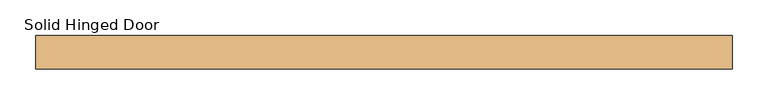
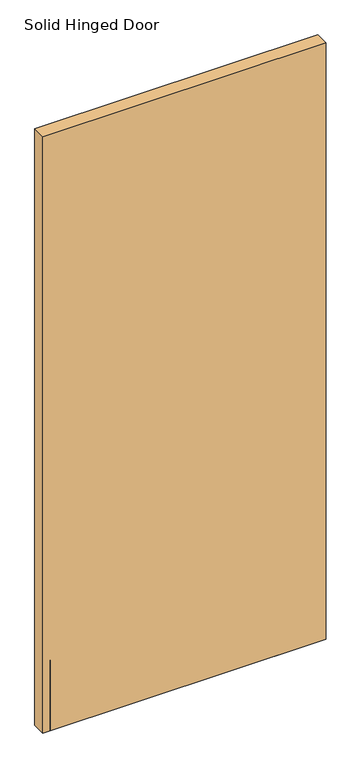
"""IFC4 building model written with IfcOpenShell, lengths in millimetres: door geometry, Solid Hinged Door."""

from ifc_helpers import new_model, si_unit, frame, origin, place, context, project, spatial, polyline, outline, extrude, faceted_brep, source, transform, mapped, element, save


def solid_hinged_door_a91c1c72(model_context):
    return source(origin(), model_context, "Body", "SolidModel", [
        faceted_brep([(484.1064326, -23.114, 12.7), (-484.1064326, -23.114, 12.7), (-484.1064326, 23.114, 12.7), (484.1064326, 23.114, 12.7), (484.1064326, 7.1501, 12.7), (-477.7564326, 7.1501, 12.7), (-477.7564326, -7.1501, 12.7), (484.1064326, -7.1501, 12.7), (484.1064326, 23.114, 2166.9885027), (484.1064326, -23.114, 2166.9885027), (484.1064326, -7.1501, 50.8), (484.1064326, 7.1501, 50.8), (-484.1064326, -23.114, 2166.9885027), (-484.1064326, 23.114, 2166.9885027), (-477.7564326, 7.1501, 50.8), (-477.7564326, -7.1501, 50.8)], [[[0, 1, 2, 3, 4, 5, 6, 7]], [[8, 9, 0, 7, 10, 11, 4, 3]], [[9, 12, 1, 0]], [[12, 13, 2, 1]], [[13, 8, 3, 2]], [[8, 13, 12, 9]], [[11, 14, 5, 4]], [[14, 15, 6, 5]], [[15, 10, 7, 6]], [[15, 14, 11, 10]]]),
        extrude(outline(polyline([(458.7064326, -9.8925062), (458.7064326, -11.4927062), (-458.7064326, -11.4927062), (-458.7064326, -9.8925062), (458.7064326, -9.8925062)])), frame((0.0, 0.0, 12.7), z_axis=(0.0, 0.0, 1.0), x_axis=(1.0, 0.0, 0.0)), (0.0, 0.0, 1.0), 254.0),
        extrude(outline(polyline([(458.7064326, -21.5138), (458.7064326, -23.114), (-458.7064326, -23.114), (-458.7064326, -21.5138), (458.7064326, -21.5138)])), frame((0.0, 0.0, 12.7), z_axis=(0.0, 0.0, 1.0), x_axis=(1.0, 0.0, 0.0)), (0.0, 0.0, 1.0), 254.0),
    ])


if __name__ == "__main__":
    model = new_model("IFC4")
    model_context = context("Model", 3, world=origin())
    ifc_project = project(units=[si_unit("LENGTHUNIT", "METRE", prefix="MILLI")], contexts=[model_context])
    site = spatial("IfcSite", under=ifc_project)
    building = spatial("IfcBuilding", under=site)
    placement = place(None, origin())
    solid_hinged_door_shape = solid_hinged_door_a91c1c72(model_context)
    element("IfcDoor", 1, ObjectType="Solid Hinged Door", at=placement, inside=building, context=model_context, shape_type="MappedRepresentation", body=[
        mapped(solid_hinged_door_shape, transform((0.0, 0.0, 0.0), x_axis=(1.0, 0.0, 0.0), y_axis=(0.0, 1.0, 0.0), z_axis=(0.0, 0.0, 1.0))),
    ])
    save(model, "model.ifc")
